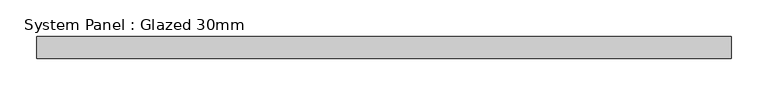
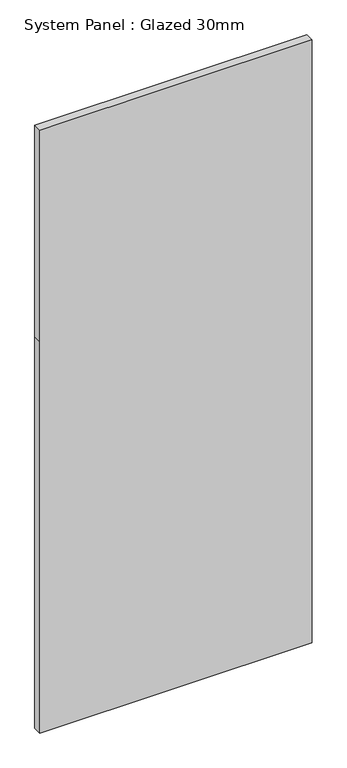
"""IFC4 building model written with IfcOpenShell, lengths in millimetres: plate geometry, System Panel : Glazed 30mm."""

from ifc_helpers import new_model, si_unit, frame, origin, place, context, project, spatial, polyline, outline, extrude, source, transform, mapped, element, save


def system_panel_glazed_30mm_9572153c(model_context):
    return source(origin(), model_context, "Body", "SweptSolid", [
        extrude(outline(polyline([(0.0, -474.3182444), (0.0, 474.3182444), (1440.5191706, 474.3182444), (2218.9721213, 474.3182444), (2218.9721213, -474.3182444), (1440.5191706, -474.3182444), (0.0, -474.3182444)])), frame((0.0, -15.0, 0.0), z_axis=(0.0, 1.0, 0.0), x_axis=(0.0, 0.0, 1.0)), (0.0, 0.0, 1.0), 30.0),
    ])


if __name__ == "__main__":
    model = new_model("IFC4")
    model_context = context("Model", 3, world=origin())
    ifc_project = project(units=[si_unit("LENGTHUNIT", "METRE", prefix="MILLI")], contexts=[model_context])
    site = spatial("IfcSite", under=ifc_project)
    building = spatial("IfcBuilding", under=site)
    placement = place(None, origin())
    system_panel_glazed_30mm_shape = system_panel_glazed_30mm_9572153c(model_context)
    element("IfcPlate", 1, ObjectType="System Panel : Glazed 30mm", at=placement, inside=building, context=model_context, shape_type="MappedRepresentation", body=[
        mapped(system_panel_glazed_30mm_shape, transform((0.0, 0.0, 0.0), x_axis=(1.0, 0.0, 0.0), y_axis=(0.0, 1.0, 0.0), z_axis=(0.0, 0.0, 1.0))),
    ])
    save(model, "model.ifc")
